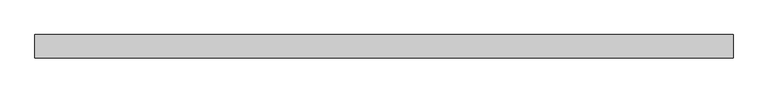
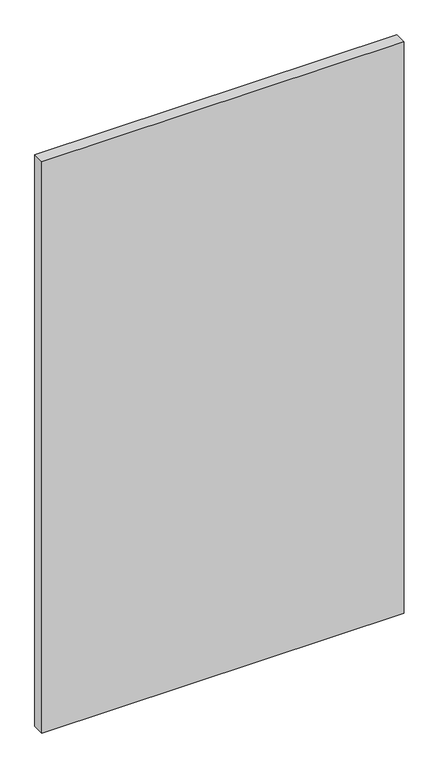
"""IFC4 building model written with IfcOpenShell, lengths in millimetres: proxy geometry."""

from ifc_helpers import new_model, si_unit, origin, origin_with_axes, place, context, project, spatial, polyline, outline, extrude, source, transform, mapped, element, save


def generic_models_0e1bdb9b(model_context):
    return source(origin(), model_context, "Body", "SweptSolid", [
        extrude(outline(polyline([(-750.0000049, -24.9999941), (-750.0000053, 25.000048), (750.0000049, 24.9999941), (750.0000053, -25.000048), (-750.0000049, -24.9999941)])), origin_with_axes(), (0.0, 0.0, 1.0), 2500.0),
    ])


if __name__ == "__main__":
    model = new_model("IFC4")
    model_context = context("Model", 3, world=origin())
    ifc_project = project(units=[si_unit("LENGTHUNIT", "METRE", prefix="MILLI")], contexts=[model_context])
    site = spatial("IfcSite", under=ifc_project)
    building = spatial("IfcBuilding", under=site)
    placement = place(None, origin())
    generic_models_shape = generic_models_0e1bdb9b(model_context)
    element("IfcBuildingElementProxy", 1, Name="Generic Models", at=placement, inside=building, context=model_context, shape_type="MappedRepresentation", body=[
        mapped(generic_models_shape, transform((0.0, 0.0, 0.0), x_axis=(1.0, 0.0, 0.0), y_axis=(0.0, 1.0, 0.0), z_axis=(0.0, 0.0, 1.0))),
    ])
    save(model, "model.ifc")
